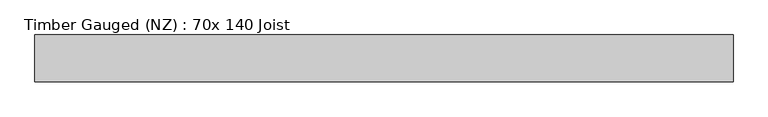
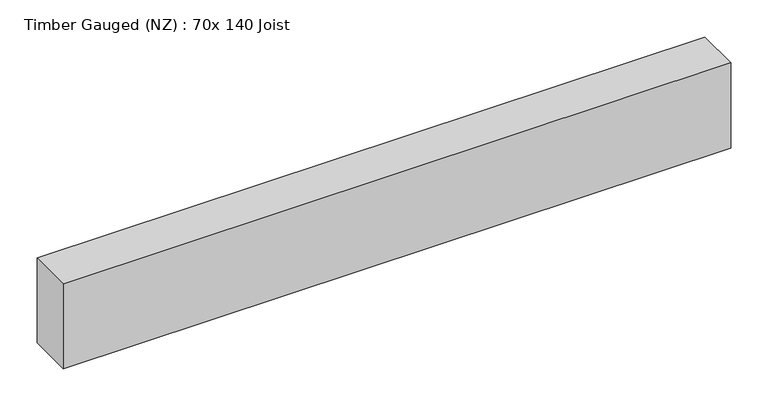
"""IFC4 building model written with IfcOpenShell, lengths in millimetres: beam geometry, Timber Gauged (NZ) : 70x 140 Joist."""

from ifc_helpers import new_model, si_unit, frame, origin, place, context, project, spatial, polyline, outline, extrude, source, transform, mapped, element, save


def timber_gauged_nz_70x_140_joist_f5fab8bd(model_context):
    return source(origin(), model_context, "Body", "SweptSolid", [
        extrude(outline(polyline([(574.4286958, 35.0), (574.4286958, -35.0), (-463.8149721, -35.0), (-463.8149721, 35.0), (574.4286958, 35.0)])), frame((0.0, 0.0, -70.0), z_axis=(0.0, 0.0, 1.0), x_axis=(1.0, 0.0, 0.0)), (0.0, 0.0, 1.0), 140.0),
    ])


if __name__ == "__main__":
    model = new_model("IFC4")
    model_context = context("Model", 3, world=origin())
    ifc_project = project(units=[si_unit("LENGTHUNIT", "METRE", prefix="MILLI")], contexts=[model_context])
    site = spatial("IfcSite", under=ifc_project)
    building = spatial("IfcBuilding", under=site)
    placement = place(None, origin())
    timber_gauged_nz_70x_140_joist_shape = timber_gauged_nz_70x_140_joist_f5fab8bd(model_context)
    element("IfcBeam", 1, ObjectType="Timber Gauged (NZ) : 70x 140 Joist", at=placement, inside=building, context=model_context, shape_type="MappedRepresentation", body=[
        mapped(timber_gauged_nz_70x_140_joist_shape, transform((0.0, 0.0, 0.0), x_axis=(1.0, 0.0, 0.0), y_axis=(0.0, 1.0, 0.0), z_axis=(0.0, 0.0, 1.0))),
    ])
    save(model, "model.ifc")
